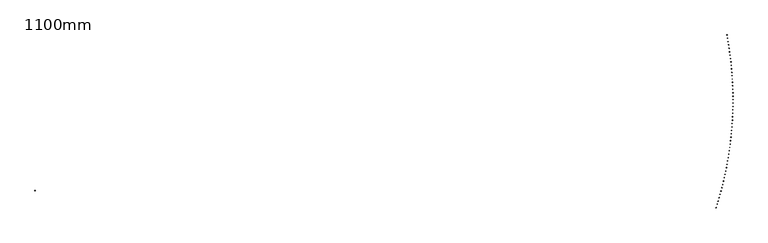
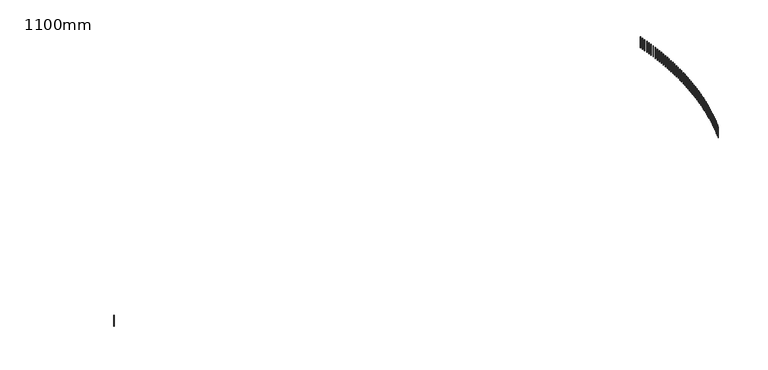
"""IFC4 building model written with IfcOpenShell, lengths in millimetres: railing geometry, 1100mm."""

from ifc_helpers import new_model, si_unit, frame, origin, place, context, project, spatial, polyline, outline, extrude, source, transform, mapped, element, save


def railing_1100mm_a264e164(model_context):
    return source(origin(), model_context, "Body", "SweptSolid", [
        extrude(outline(polyline([(17926.2463809, -62770.0218418), (17950.0650993, -62777.6158299), (17942.4711113, -62801.4345482), (17918.6523929, -62793.8405602), (17926.2463809, -62770.0218418)])), frame((0.0, 0.0, 10600.0), z_axis=(0.0, 0.0, 1.0), x_axis=(1.0, 0.0, 0.0)), (0.0, 0.0, 1.0), 1050.0),
        extrude(outline(polyline([(18008.3594275, -62507.6950454), (18032.2505267, -62515.0581545), (18024.8874176, -62538.9492538), (18000.9963183, -62531.5861447), (18008.3594275, -62507.6950454)])), frame((0.0, 0.0, 10600.0), z_axis=(0.0, 0.0, 1.0), x_axis=(1.0, 0.0, 0.0)), (0.0, 0.0, 1.0), 1050.0),
        extrude(outline(polyline([(18087.9297668, -62244.5858254), (18111.891009, -62251.7173659), (18104.7594685, -62275.6786081), (18080.7982263, -62268.5470677), (18087.9297668, -62244.5858254)])), frame((0.0, 0.0, 10600.0), z_axis=(0.0, 0.0, 1.0), x_axis=(1.0, 0.0, 0.0)), (0.0, 0.0, 1.0), 1050.0),
        extrude(outline(polyline([(18164.9499455, -61980.7188274), (18188.9790862, -61987.6181313), (18182.0797824, -62011.6472721), (18158.0506416, -62004.7479682), (18164.9499455, -61980.7188274)])), frame((0.0, 0.0, 10600.0), z_axis=(0.0, 0.0, 1.0), x_axis=(1.0, 0.0, 0.0)), (0.0, 0.0, 1.0), 1050.0),
        extrude(outline(polyline([(18239.412749, -61716.1187681), (18263.5075375, -61722.785189), (18256.8411166, -61746.8799775), (18232.7463281, -61740.2135565), (18239.412749, -61716.1187681)])), frame((0.0, 0.0, 10600.0), z_axis=(0.0, 0.0, 1.0), x_axis=(1.0, 0.0, 0.0)), (0.0, 0.0, 1.0), 1050.0),
        extrude(outline(polyline([(18311.3112025, -61450.8104325), (18335.4693817, -61457.2433461), (18329.0364681, -61481.4015253), (18304.8782889, -61474.9686117), (18311.3112025, -61450.8104325)])), frame((0.0, 0.0, 10600.0), z_axis=(0.0, 0.0, 1.0), x_axis=(1.0, 0.0, 0.0)), (0.0, 0.0, 1.0), 1050.0),
        extrude(outline(polyline([(18380.6385712, -61184.8186723), (18404.8578782, -61191.017476), (18398.6590745, -61215.236783), (18374.4397675, -61209.0379793), (18380.6385712, -61184.8186723)])), frame((0.0, 0.0, 10600.0), z_axis=(0.0, 0.0, 1.0), x_axis=(1.0, 0.0, 0.0)), (0.0, 0.0, 1.0), 1050.0),
        extrude(outline(polyline([(18447.388361, -60918.168403), (18471.6665272, -60924.1325162), (18465.7024141, -60948.4106824), (18441.4242479, -60942.4465693), (18447.388361, -60918.168403)])), frame((0.0, 0.0, 10600.0), z_axis=(0.0, 0.0, 1.0), x_axis=(1.0, 0.0, 0.0)), (0.0, 0.0, 1.0), 1050.0),
        extrude(outline(polyline([(18511.5543196, -60650.884602), (18535.8890708, -60656.6134659), (18530.1602069, -60680.9482172), (18505.8254557, -60675.2193533), (18511.5543196, -60650.884602)])), frame((0.0, 0.0, 10600.0), z_axis=(0.0, 0.0, 1.0), x_axis=(1.0, 0.0, 0.0)), (0.0, 0.0, 1.0), 1050.0),
        extrude(outline(polyline([(18573.1304364, -60382.9923058), (18597.5194933, -60388.4853838), (18592.0264152, -60412.8744407), (18567.6373584, -60407.3813626), (18573.1304364, -60382.9923058)])), frame((0.0, 0.0, 10600.0), z_axis=(0.0, 0.0, 1.0), x_axis=(1.0, 0.0, 0.0)), (0.0, 0.0, 1.0), 1050.0),
        extrude(outline(polyline([(18632.1109437, -60114.516608), (18656.5520216, -60119.7733857), (18651.2952439, -60144.2144636), (18626.854166, -60138.9576859), (18632.1109437, -60114.516608)])), frame((0.0, 0.0, 10600.0), z_axis=(0.0, 0.0, 1.0), x_axis=(1.0, 0.0, 0.0)), (0.0, 0.0, 1.0), 1050.0),
        extrude(outline(polyline([(18688.4903166, -59845.4826569), (18712.9811262, -59850.5026418), (18707.9611413, -59874.9934513), (18683.4703318, -59869.9734664), (18688.4903166, -59845.4826569)])), frame((0.0, 0.0, 10600.0), z_axis=(0.0, 0.0, 1.0), x_axis=(1.0, 0.0, 0.0)), (0.0, 0.0, 1.0), 1050.0),
        extrude(outline(polyline([(18742.2632741, -59575.915653), (18766.8015213, -59580.6983749), (18762.0187994, -59605.236622), (18737.4805523, -59600.4539002), (18742.2632741, -59575.915653)])), frame((0.0, 0.0, 10600.0), z_axis=(0.0, 0.0, 1.0), x_axis=(1.0, 0.0, 0.0)), (0.0, 0.0, 1.0), 1050.0),
        extrude(outline(polyline([(18793.4247793, -59305.8408469), (18818.0081655, -59310.3858577), (18813.4631547, -59334.9692439), (18788.8797685, -59330.4242331), (18793.4247793, -59305.8408469)])), frame((0.0, 0.0, 10600.0), z_axis=(0.0, 0.0, 1.0), x_axis=(1.0, 0.0, 0.0)), (0.0, 0.0, 1.0), 1050.0),
        extrude(outline(polyline([(18841.9700398, -59035.2835364), (18866.5962623, -59039.5904105), (18862.2893882, -59064.216633), (18837.6631657, -59059.909759), (18841.9700398, -59035.2835364)])), frame((0.0, 0.0, 10600.0), z_axis=(0.0, 0.0, 1.0), x_axis=(1.0, 0.0, 0.0)), (0.0, 0.0, 1.0), 1050.0),
        extrude(outline(polyline([(18887.8945083, -58764.269065), (18912.5612604, -58768.3373989), (18908.4929265, -58793.004151), (18883.8261744, -58788.9358171), (18887.8945083, -58764.269065)])), frame((0.0, 0.0, 10600.0), z_axis=(0.0, 0.0, 1.0), x_axis=(1.0, 0.0, 0.0)), (0.0, 0.0, 1.0), 1050.0),
        extrude(outline(polyline([(18931.1938832, -58492.8228186), (18955.8988543, -58496.6522313), (18952.0694417, -58521.3572024), (18927.3644706, -58517.5277898), (18931.1938832, -58492.8228186)])), frame((0.0, 0.0, 10600.0), z_axis=(0.0, 0.0, 1.0), x_axis=(1.0, 0.0, 0.0)), (0.0, 0.0, 1.0), 1050.0),
        extrude(outline(polyline([(18971.8641085, -58220.9702238), (18996.6049845, -58224.5603565), (18993.0148518, -58249.3012325), (18968.2739758, -58245.7110998), (18971.8641085, -58220.9702238)])), frame((0.0, 0.0, 10600.0), z_axis=(0.0, 0.0, 1.0), x_axis=(1.0, 0.0, 0.0)), (0.0, 0.0, 1.0), 1050.0),
        extrude(outline(polyline([(19009.9013746, -57948.7367451), (19034.675838, -57952.0872615), (19031.3253216, -57976.861725), (19006.5508581, -57973.5112086), (19009.9013746, -57948.7367451)])), frame((0.0, 0.0, 10600.0), z_axis=(0.0, 0.0, 1.0), x_axis=(1.0, 0.0, 0.0)), (0.0, 0.0, 1.0), 1050.0),
        extrude(outline(polyline([(19045.3021185, -57676.1478828), (19070.1078487, -57679.2584691), (19066.9972624, -57704.0641993), (19042.1915322, -57700.953613), (19045.3021185, -57676.1478828)])), frame((0.0, 0.0, 10600.0), z_axis=(0.0, 0.0, 1.0), x_axis=(1.0, 0.0, 0.0)), (0.0, 0.0, 1.0), 1050.0),
        extrude(outline(polyline([(19078.0630243, -57403.2291703), (19102.8976977, -57406.0995352), (19100.0273329, -57430.9342086), (19075.1926595, -57428.0638438), (19078.0630243, -57403.2291703)])), frame((0.0, 0.0, 10600.0), z_axis=(0.0, 0.0, 1.0), x_axis=(1.0, 0.0, 0.0)), (0.0, 0.0, 1.0), 1050.0),
        extrude(outline(polyline([(19108.1810232, -57130.0061723), (19133.0423136, -57132.6360468), (19130.4124391, -57157.4973372), (19105.5511487, -57154.8674627), (19108.1810232, -57130.0061723)])), frame((0.0, 0.0, 10600.0), z_axis=(0.0, 0.0, 1.0), x_axis=(1.0, 0.0, 0.0)), (0.0, 0.0, 1.0), 1050.0),
        extrude(outline(polyline([(19135.6532941, -56856.5044815), (19160.5388726, -56858.8936193), (19158.1497348, -56883.7791979), (19133.2641562, -56881.39006), (19135.6532941, -56856.5044815)])), frame((0.0, 0.0, 10600.0), z_axis=(0.0, 0.0, 1.0), x_axis=(1.0, 0.0, 0.0)), (0.0, 0.0, 1.0), 1050.0),
        extrude(outline(polyline([(19160.4772635, -56582.749717), (19185.3847992, -56584.8978943), (19183.2366219, -56609.80543), (19158.3290862, -56607.6572527), (19160.4772635, -56582.749717)])), frame((0.0, 0.0, 10600.0), z_axis=(0.0, 0.0, 1.0), x_axis=(1.0, 0.0, 0.0)), (0.0, 0.0, 1.0), 1050.0),
        extrude(outline(polyline([(19182.6506063, -56308.7675216), (19207.577766, -56310.6745372), (19205.6707504, -56335.6016969), (19180.7435907, -56333.6946813), (19182.6506063, -56308.7675216)])), frame((0.0, 0.0, 10600.0), z_axis=(0.0, 0.0, 1.0), x_axis=(1.0, 0.0, 0.0)), (0.0, 0.0, 1.0), 1050.0),
        extrude(outline(polyline([(19202.1712455, -56034.5835593), (19227.1156943, -56036.2492346), (19225.4500189, -56061.1936834), (19200.5055701, -56059.5280081), (19202.1712455, -56034.5835593)])), frame((0.0, 0.0, 10600.0), z_axis=(0.0, 0.0, 1.0), x_axis=(1.0, 0.0, 0.0)), (0.0, 0.0, 1.0), 1050.0),
        extrude(outline(polyline([(19219.0373524, -55760.223513), (19243.9967538, -55761.647692), (19242.5725748, -55786.6070933), (19217.6131735, -55785.1829143), (19219.0373524, -55760.223513)])), frame((0.0, 0.0, 10600.0), z_axis=(0.0, 0.0, 1.0), x_axis=(1.0, 0.0, 0.0)), (0.0, 0.0, 1.0), 1050.0),
        extrude(outline(polyline([(19233.2473474, -55485.7130823), (19258.2193633, -55486.8956315), (19257.036814, -55511.8676474), (19232.0647982, -55510.6850982), (19233.2473474, -55485.7130823)])), frame((0.0, 0.0, 10600.0), z_axis=(0.0, 0.0, 1.0), x_axis=(1.0, 0.0, 0.0)), (0.0, 0.0, 1.0), 1050.0),
        extrude(outline(polyline([(19244.7998993, -55211.0779806), (19269.7821906, -55212.0187893), (19268.8413819, -55237.0010806), (19243.8590906, -55236.0602719), (19244.7998993, -55211.0779806)])), frame((0.0, 0.0, 10600.0), z_axis=(0.0, 0.0, 1.0), x_axis=(1.0, 0.0, 0.0)), (0.0, 0.0, 1.0), 1050.0),
        extrude(outline(polyline([(19253.693926, -54936.3439331), (19278.6841526, -54937.0429132), (19277.9851725, -54962.0331398), (19252.9949459, -54961.3341598), (19253.693926, -54936.3439331)])), frame((0.0, 0.0, 10600.0), z_axis=(0.0, 0.0, 1.0), x_axis=(1.0, 0.0, 0.0)), (0.0, 0.0, 1.0), 1050.0),
        extrude(outline(polyline([(19259.9285943, -54661.5366744), (19284.9244154, -54661.9937604), (19284.4673295, -54686.9895815), (19259.4715084, -54686.5324955), (19259.9285943, -54661.5366744)])), frame((0.0, 0.0, 10600.0), z_axis=(0.0, 0.0, 1.0), x_axis=(1.0, 0.0, 0.0)), (0.0, 0.0, 1.0), 1050.0),
        extrude(outline(polyline([(19263.5033203, -54386.6819458), (19288.5023945, -54386.8970948), (19288.2872455, -54411.896169), (19263.2881713, -54411.68102), (19263.5033203, -54386.6819458)])), frame((0.0, 0.0, 10600.0), z_axis=(0.0, 0.0, 1.0), x_axis=(1.0, 0.0, 0.0)), (0.0, 0.0, 1.0), 1050.0),
        extrude(outline(polyline([(19264.4177692, -54111.8054929), (19289.4177548, -54111.7786848), (19289.4445629, -54136.7786705), (19264.4445773, -54136.8054785), (19264.4177692, -54111.8054929)])), frame((0.0, 0.0, 10600.0), z_axis=(0.0, 0.0, 1.0), x_axis=(1.0, 0.0, 0.0)), (0.0, 0.0, 1.0), 1050.0),
        extrude(outline(polyline([(19262.6718552, -53836.9330637), (19287.6704105, -53836.6643011), (19287.9391732, -53861.6628564), (19262.9406179, -53861.931619), (19262.6718552, -53836.9330637)])), frame((0.0, 0.0, 10600.0), z_axis=(0.0, 0.0, 1.0), x_axis=(1.0, 0.0, 0.0)), (0.0, 0.0, 1.0), 1050.0),
        extrude(outline(polyline([(19258.265742, -53562.0904057), (19283.2605253, -53561.5797136), (19283.7712174, -53586.5744969), (19258.776434, -53587.085189), (19258.265742, -53562.0904057)])), frame((0.0, 0.0, 10600.0), z_axis=(0.0, 0.0, 1.0), x_axis=(1.0, 0.0, 0.0)), (0.0, 0.0, 1.0), 1050.0),
        extrude(outline(polyline([(19251.1998422, -53287.3032633), (19276.1885122, -53286.5506897), (19276.9410859, -53311.5393598), (19251.9524158, -53312.2919334), (19251.1998422, -53287.3032633)])), frame((0.0, 0.0, 10600.0), z_axis=(0.0, 0.0, 1.0), x_axis=(1.0, 0.0, 0.0)), (0.0, 0.0, 1.0), 1050.0),
        extrude(outline(polyline([(19241.4748176, -53012.5973762), (19266.4550338, -53011.6029914), (19267.4494185, -53036.5832076), (19242.4692024, -53037.5775923), (19241.4748176, -53012.5973762)])), frame((0.0, 0.0, 10600.0), z_axis=(0.0, 0.0, 1.0), x_axis=(1.0, 0.0, 0.0)), (0.0, 0.0, 1.0), 1050.0),
        extrude(outline(polyline([(19229.0915794, -52737.998476), (19254.0610017, -52736.7623734), (19255.2971043, -52761.7317957), (19230.327682, -52762.9678983), (19229.0915794, -52737.998476)])), frame((0.0, 0.0, 10600.0), z_axis=(0.0, 0.0, 1.0), x_axis=(1.0, 0.0, 0.0)), (0.0, 0.0, 1.0), 1050.0),
        extrude(outline(polyline([(19214.0512873, -52463.5322848), (19239.0075769, -52462.05458), (19240.4852817, -52487.0108695), (19215.5289921, -52488.4885743), (19214.0512873, -52463.5322848)])), frame((0.0, 0.0, 10600.0), z_axis=(0.0, 0.0, 1.0), x_axis=(1.0, 0.0, 0.0)), (0.0, 0.0, 1.0), 1050.0),
        extrude(outline(polyline([(19196.3553503, -52189.2245117), (19221.2961694, -52187.5053432), (19223.0153379, -52212.4461624), (19198.0745188, -52214.1653309), (19196.3553503, -52189.2245117)])), frame((0.0, 0.0, 10600.0), z_axis=(0.0, 0.0, 1.0), x_axis=(1.0, 0.0, 0.0)), (0.0, 0.0, 1.0), 1050.0),
        extrude(outline(polyline([(19176.0054258, -51915.1008515), (19200.9284384, -51913.1403803), (19202.8889096, -51938.0633928), (19177.965897, -51940.023864), (19176.0054258, -51915.1008515)])), frame((0.0, 0.0, 10600.0), z_axis=(0.0, 0.0, 1.0), x_axis=(1.0, 0.0, 0.0)), (0.0, 0.0, 1.0), 1050.0),
        extrude(outline(polyline([(19153.0034202, -51641.1869813), (19177.9062916, -51638.985391), (19180.1078818, -51663.8882624), (19155.2050105, -51666.0898526), (19153.0034202, -51641.1869813)])), frame((0.0, 0.0, 10600.0), z_axis=(0.0, 0.0, 1.0), x_axis=(1.0, 0.0, 0.0)), (0.0, 0.0, 1.0), 1050.0),
        extrude(outline(polyline([(19127.351488, -51367.5085588), (19152.2318855, -51365.0660558), (19154.6743886, -51389.9464532), (19129.7939911, -51392.3889563), (19127.351488, -51367.5085588)])), frame((0.0, 0.0, 10600.0), z_axis=(0.0, 0.0, 1.0), x_axis=(1.0, 0.0, 0.0)), (0.0, 0.0, 1.0), 1050.0),
        extrude(outline(polyline([(19099.052032, -51094.0912197), (19123.9076251, -51091.4080326), (19126.5908122, -51116.2636257), (19101.7352192, -51118.9468128), (19099.052032, -51094.0912197)])), frame((0.0, 0.0, 10600.0), z_axis=(0.0, 0.0, 1.0), x_axis=(1.0, 0.0, 0.0)), (0.0, 0.0, 1.0), 1050.0),
        extrude(outline(polyline([(19068.1077031, -50820.9605751), (19092.9361636, -50818.0369553), (19095.8597834, -50842.8654157), (19071.031323, -50845.7890355), (19068.1077031, -50820.9605751)])), frame((0.0, 0.0, 10600.0), z_axis=(0.0, 0.0, 1.0), x_axis=(1.0, 0.0, 0.0)), (0.0, 0.0, 1.0), 1050.0),
        extrude(outline(polyline([(19034.5213999, -50548.1422092), (19059.320402, -50544.9784305), (19062.4841806, -50569.7774326), (19037.6851785, -50572.9412113), (19034.5213999, -50548.1422092)])), frame((0.0, 0.0, 10600.0), z_axis=(0.0, 0.0, 1.0), x_axis=(1.0, 0.0, 0.0)), (0.0, 0.0, 1.0), 1050.0),
        extrude(outline(polyline([(18998.2962683, -50275.6616771), (19023.0634891, -50272.2580359), (19026.4671303, -50297.0252567), (19001.6999094, -50300.4288979), (18998.2962683, -50275.6616771)])), frame((0.0, 0.0, 10600.0), z_axis=(0.0, 0.0, 1.0), x_axis=(1.0, 0.0, 0.0)), (0.0, 0.0, 1.0), 1050.0),
        extrude(outline(polyline([(18959.4357016, -50003.5445021), (18984.1688212, -49999.9013173), (18987.812006, -50024.6344369), (18963.0788864, -50028.2776217), (18959.4357016, -50003.5445021)])), frame((0.0, 0.0, 10600.0), z_axis=(0.0, 0.0, 1.0), x_axis=(1.0, 0.0, 0.0)), (0.0, 0.0, 1.0), 1050.0),
        extrude(outline(polyline([(18917.9433399, -49731.8161737), (18942.6400415, -49727.9337865), (18946.5224288, -49752.6304881), (18921.8257272, -49756.5128753), (18917.9433399, -49731.8161737)])), frame((0.0, 0.0, 10600.0), z_axis=(0.0, 0.0, 1.0), x_axis=(1.0, 0.0, 0.0)), (0.0, 0.0, 1.0), 1050.0),
        extrude(outline(polyline([(18873.8230699, -49460.5021448), (18898.4810401, -49456.3809188), (18902.6022661, -49481.038889), (18877.9442958, -49485.160115), (18873.8230699, -49460.5021448)])), frame((0.0, 0.0, 10600.0), z_axis=(0.0, 0.0, 1.0), x_axis=(1.0, 0.0, 0.0)), (0.0, 0.0, 1.0), 1050.0),
        extrude(outline(polyline([(18827.0790242, -49189.6278294), (18851.6959533, -49185.2681507), (18856.055632, -49209.8850799), (18831.4387029, -49214.2447586), (18827.0790242, -49189.6278294)])), frame((0.0, 0.0, 10600.0), z_axis=(0.0, 0.0, 1.0), x_axis=(1.0, 0.0, 0.0)), (0.0, 0.0, 1.0), 1050.0),
        extrude(outline(polyline([(-36591.1817593, -61427.7006449), (-36615.3509807, -61434.0919464), (-36621.7422823, -61409.922725), (-36597.5730609, -61403.5314235), (-36591.1817593, -61427.7006449)])), frame((0.0, 0.0, 10600.0), z_axis=(0.0, 0.0, 1.0), x_axis=(1.0, 0.0, 0.0)), (0.0, 0.0, 1.0), 1050.0),
        extrude(outline(polyline([(18780.0161355, -48931.4994813), (18804.591738, -48926.9125693), (18809.1786501, -48951.4881718), (18784.6030476, -48956.0750838), (18780.0161355, -48931.4994813)])), frame((0.0, 0.0, 10600.0), z_axis=(0.0, 0.0, 1.0), x_axis=(1.0, 0.0, 0.0)), (0.0, 0.0, 1.0), 1050.0),
    ])


if __name__ == "__main__":
    model = new_model("IFC4")
    model_context = context("Model", 3, world=origin())
    ifc_project = project(units=[si_unit("LENGTHUNIT", "METRE", prefix="MILLI")], contexts=[model_context])
    site = spatial("IfcSite", under=ifc_project)
    building = spatial("IfcBuilding", under=site)
    placement = place(None, origin())
    railing_1100mm_shape = railing_1100mm_a264e164(model_context)
    element("IfcRailing", 1, ObjectType="1100mm", at=placement, inside=building, context=model_context, shape_type="MappedRepresentation", body=[
        mapped(railing_1100mm_shape, transform((0.0, 0.0, 0.0), x_axis=(1.0, 0.0, 0.0), y_axis=(0.0, 1.0, 0.0), z_axis=(0.0, 0.0, 1.0))),
    ])
    save(model, "model.ifc")
